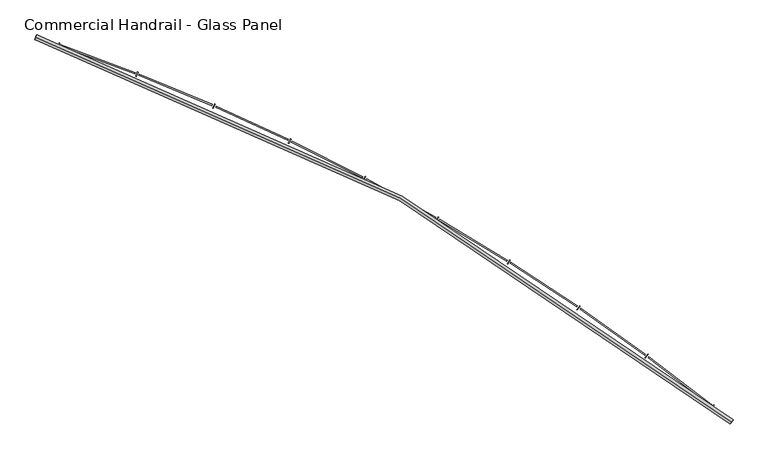
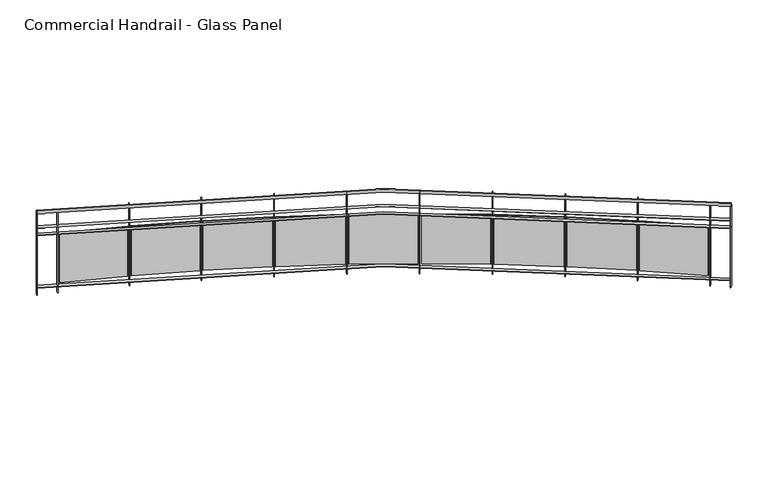
"""IFC4 building model written with IfcOpenShell, lengths in millimetres: railing geometry, Commercial Handrail - Glass Panel."""

from ifc_helpers import new_model, si_unit, point, frame, origin, place, context, project, spatial, polyline, circle_curve, ellipse_curve, trimmed, outline, extrude, source, transform, mapped, element, save
from ifc_brep_helpers import plane_surface, cylinder_surface, revolved_surface, advanced_brep


def commercial_handrail_glass_panel_4d4f9e8d(model_context):
    return source(origin(), model_context, "Body", "SolidModel", [
        advanced_brep(
        [(150583.3685507, -40178.0609172, 19682.5), (143915.4015975, -36490.7578825, 19682.5), (143915.4015975, -36490.7578825, 19717.5), (150583.3685507, -40178.0609172, 19717.5)],
        [
            (0, 1, circle_curve(frame((137048.5497623, -56781.179875, 19682.5), z_axis=(0.0, 0.0, 1.0), x_axis=(0.3205678761961466, 0.9472255469269671, 0.0)), 21420.8981782)),
            (1, 2, ellipse_curve(frame((143915.4015975, -36490.7578825, 19700.0), z_axis=(0.9472255469269653, -0.32056787619615223, 0.0), x_axis=(-0.32056787619615223, -0.9472255469269653, 0.0)), 25.0, 17.5)),
            (2, 3, circle_curve(frame((137048.5497623, -56781.179875, 19717.5), z_axis=(0.0, 0.0, -1.0), x_axis=(0.3205678761961466, 0.9472255469269671, 0.0)), 21420.8981782)),
            (3, 0, ellipse_curve(frame((150583.3685507, -40178.0609172, 19700.0), z_axis=(-0.7750897660636332, 0.6318511332136888, 0.0), x_axis=(-0.6318511332136887, -0.775089766063633, 0.0)), 25.0, 17.5)),
            (2, 1, ellipse_curve(frame((143915.4015975, -36490.7578825, 19700.0), z_axis=(0.9472255469269653, -0.32056787619615223, 0.0), x_axis=(-0.32056787619615223, -0.9472255469269653, 0.0)), 25.0, 17.5)),
            (0, 3, ellipse_curve(frame((150583.3685507, -40178.0609172, 19700.0), z_axis=(-0.7750897660636332, 0.6318511332136888, 0.0), x_axis=(-0.6318511332136887, -0.775089766063633, 0.0)), 25.0, 17.5)),
        ],
        [
            revolved_surface(trimmed(ellipse_curve(frame((143915.4015975, -36490.7578825, 19700.0), z_axis=(-0.9472255469269671, 0.3205678761961466, 0.0), x_axis=(0.0, 0.0, -1.0)), 17.5, 25.0), [point((143915.4015975, -36490.7578825, 19717.5))], [point((143915.4015975, -36490.7578825, 19682.5))], True, "CARTESIAN"), (137048.5497623, -56781.179875, 19700.0), (0.0, 0.0, -1.0)),
            revolved_surface(trimmed(ellipse_curve(frame((143915.4015975, -36490.7578825, 19700.0), z_axis=(-0.9472255469269671, 0.3205678761961466, 0.0), x_axis=(0.0, 0.0, -1.0)), 17.5, 25.0), [point((143915.4015975, -36490.7578825, 19682.5))], [point((143915.4015975, -36490.7578825, 19717.5))], True, "CARTESIAN"), (137048.5497623, -56781.179875, 19700.0), (0.0, 0.0, -1.0)),
            plane_surface(frame((143915.4015975, -36490.7578825, 19700.0), z_axis=(-0.9472255469269671, 0.3205678761961466, 0.0), x_axis=(0.3205678761961466, 0.9472255469269671, 0.0))),
            plane_surface(frame((150583.3685507, -40178.0609172, 19700.0), z_axis=(0.7750897660636331, -0.6318511332136886, 0.0), x_axis=(0.6318511332136886, 0.7750897660636331, 0.0))),
        ],
        [
            (0, [[1, 2, 3, 4]]),
            (1, [[-3, 5, -1, 6]]),
            (2, [[-2, -5]]),
            (3, [[-6, -4]]),
        ],
    ),
        advanced_brep(
        [(150597.5852012, -40160.6213975, 19500.0), (143922.6143747, -36469.4453077, 19500.0), (143908.1888203, -36512.0704573, 19500.0), (150569.1519002, -40195.500437, 19500.0), (150597.5852012, -40160.6213975, 19494.0), (143922.6143747, -36469.4453077, 19494.0), (150569.1519002, -40195.500437, 19494.0), (143908.1888203, -36512.0704573, 19494.0)],
        [
            (0, 1, circle_curve(frame((137048.5497623, -56781.179875, 19500.0), z_axis=(0.0, 0.0, 1.0), x_axis=(0.3205678761961466, 0.9472255469269671, 0.0)), 21443.3981782)),
            (1, 2),
            (2, 3, circle_curve(frame((137048.5497623, -56781.179875, 19500.0), z_axis=(0.0, 0.0, -1.0), x_axis=(0.3205678761961466, 0.9472255469269671, 0.0)), 21398.3981782)),
            (3, 0),
            (4, 5, circle_curve(frame((137048.5497623, -56781.179875, 19494.0), z_axis=(0.0, 0.0, 1.0), x_axis=(0.3205678761961466, 0.9472255469269671, 0.0)), 21443.3981782)),
            (5, 1),
            (0, 4),
            (6, 7, circle_curve(frame((137048.5497623, -56781.179875, 19494.0), z_axis=(0.0, 0.0, 1.0), x_axis=(0.3205678761961466, 0.9472255469269671, 0.0)), 21398.3981782)),
            (7, 5),
            (4, 6),
            (2, 7),
            (6, 3),
        ],
        [
            plane_surface(frame((137048.5497623, -56781.179875, 19500.0), z_axis=(0.0, 0.0, 1.0), x_axis=(0.3205678761961466, 0.9472255469269671, 0.0))),
            cylinder_surface(frame((137048.5497623, -56781.179875, 19500.0), z_axis=(0.0, 0.0, -1.0), x_axis=(0.3205678761961466, 0.9472255469269671, 0.0)), 21443.3981782),
            plane_surface(frame((137048.5497623, -56781.179875, 19494.0), z_axis=(0.0, 0.0, -1.0), x_axis=(0.3205678761961466, 0.9472255469269671, 0.0))),
            revolved_surface(polyline([(143908.18882028508, -36512.07045729349, 19494.0), (143908.18882028508, -36512.07045729349, 19500.0)]), (137048.5497623, -56781.179875, 19500.0), (0.0, 0.0, -1.0)),
            plane_surface(frame((143915.4015975, -36490.7578825, 19500.0), z_axis=(-0.9472255469269671, 0.3205678761961466, 0.0), x_axis=(0.3205678761961466, 0.9472255469269671, 0.0))),
            plane_surface(frame((150583.3685507, -40178.0609172, 19500.0), z_axis=(0.7750897660636331, -0.6318511332136886, 0.0), x_axis=(0.6318511332136886, 0.7750897660636331, 0.0))),
        ],
        [
            (0, [[1, 2, 3, 4]]),
            (1, [[5, 6, -1, 7]]),
            (2, [[8, 9, -5, 10]]),
            (3, [[-3, 11, -8, 12]]),
            (4, [[-2, -6, -9, -11]]),
            (5, [[-12, -10, -7, -4]]),
        ],
    ),
        advanced_brep(
        [(150597.5852012, -40160.6213975, 19400.0), (143922.6143747, -36469.4453077, 19400.0), (143908.1888203, -36512.0704573, 19400.0), (150569.1519002, -40195.500437, 19400.0), (150597.5852012, -40160.6213975, 19394.0), (143922.6143747, -36469.4453077, 19394.0), (150569.1519002, -40195.500437, 19394.0), (143908.1888203, -36512.0704573, 19394.0)],
        [
            (0, 1, circle_curve(frame((137048.5497623, -56781.179875, 19400.0), z_axis=(0.0, 0.0, 1.0), x_axis=(0.3205678761961466, 0.9472255469269671, 0.0)), 21443.3981782)),
            (1, 2),
            (2, 3, circle_curve(frame((137048.5497623, -56781.179875, 19400.0), z_axis=(0.0, 0.0, -1.0), x_axis=(0.3205678761961466, 0.9472255469269671, 0.0)), 21398.3981782)),
            (3, 0),
            (4, 5, circle_curve(frame((137048.5497623, -56781.179875, 19394.0), z_axis=(0.0, 0.0, 1.0), x_axis=(0.3205678761961466, 0.9472255469269671, 0.0)), 21443.3981782)),
            (5, 1),
            (0, 4),
            (6, 7, circle_curve(frame((137048.5497623, -56781.179875, 19394.0), z_axis=(0.0, 0.0, 1.0), x_axis=(0.3205678761961466, 0.9472255469269671, 0.0)), 21398.3981782)),
            (7, 5),
            (4, 6),
            (2, 7),
            (6, 3),
        ],
        [
            plane_surface(frame((137048.5497623, -56781.179875, 19400.0), z_axis=(0.0, 0.0, 1.0), x_axis=(0.3205678761961466, 0.9472255469269671, 0.0))),
            cylinder_surface(frame((137048.5497623, -56781.179875, 19400.0), z_axis=(0.0, 0.0, -1.0), x_axis=(0.3205678761961466, 0.9472255469269671, 0.0)), 21443.3981782),
            plane_surface(frame((137048.5497623, -56781.179875, 19394.0), z_axis=(0.0, 0.0, -1.0), x_axis=(0.3205678761961466, 0.9472255469269671, 0.0))),
            revolved_surface(polyline([(143908.18882028508, -36512.07045729349, 19394.0), (143908.18882028508, -36512.07045729349, 19400.0)]), (137048.5497623, -56781.179875, 19400.0), (0.0, 0.0, -1.0)),
            plane_surface(frame((143915.4015975, -36490.7578825, 19400.0), z_axis=(-0.9472255469269671, 0.3205678761961466, 0.0), x_axis=(0.3205678761961466, 0.9472255469269671, 0.0))),
            plane_surface(frame((150583.3685507, -40178.0609172, 19400.0), z_axis=(0.7750897660636331, -0.6318511332136886, 0.0), x_axis=(0.6318511332136886, 0.7750897660636331, 0.0))),
        ],
        [
            (0, [[1, 2, 3, 4]]),
            (1, [[5, 6, -1, 7]]),
            (2, [[8, 9, -5, 10]]),
            (3, [[-3, 11, -8, 12]]),
            (4, [[-2, -6, -9, -11]]),
            (5, [[-12, -10, -7, -4]]),
        ],
    ),
        advanced_brep(
        [(150597.5852012, -40160.6213975, 18700.0), (143922.6143747, -36469.4453077, 18700.0), (143908.1888203, -36512.0704573, 18700.0), (150569.1519002, -40195.500437, 18700.0), (150597.5852012, -40160.6213975, 18694.0), (143922.6143747, -36469.4453077, 18694.0), (150569.1519002, -40195.500437, 18694.0), (143908.1888203, -36512.0704573, 18694.0)],
        [
            (0, 1, circle_curve(frame((137048.5497623, -56781.179875, 18700.0), z_axis=(0.0, 0.0, 1.0), x_axis=(0.3205678761961466, 0.9472255469269671, 0.0)), 21443.3981782)),
            (1, 2),
            (2, 3, circle_curve(frame((137048.5497623, -56781.179875, 18700.0), z_axis=(0.0, 0.0, -1.0), x_axis=(0.3205678761961466, 0.9472255469269671, 0.0)), 21398.3981782)),
            (3, 0),
            (4, 5, circle_curve(frame((137048.5497623, -56781.179875, 18694.0), z_axis=(0.0, 0.0, 1.0), x_axis=(0.3205678761961466, 0.9472255469269671, 0.0)), 21443.3981782)),
            (5, 1),
            (0, 4),
            (6, 7, circle_curve(frame((137048.5497623, -56781.179875, 18694.0), z_axis=(0.0, 0.0, 1.0), x_axis=(0.3205678761961466, 0.9472255469269671, 0.0)), 21398.3981782)),
            (7, 5),
            (4, 6),
            (2, 7),
            (6, 3),
        ],
        [
            plane_surface(frame((137048.5497623, -56781.179875, 18700.0), z_axis=(0.0, 0.0, 1.0), x_axis=(0.3205678761961466, 0.9472255469269671, 0.0))),
            cylinder_surface(frame((137048.5497623, -56781.179875, 18700.0), z_axis=(0.0, 0.0, -1.0), x_axis=(0.3205678761961466, 0.9472255469269671, 0.0)), 21443.3981782),
            plane_surface(frame((137048.5497623, -56781.179875, 18694.0), z_axis=(0.0, 0.0, -1.0), x_axis=(0.3205678761961466, 0.9472255469269671, 0.0))),
            revolved_surface(polyline([(143908.18882028508, -36512.07045729349, 18694.0), (143908.18882028508, -36512.07045729349, 18700.0)]), (137048.5497623, -56781.179875, 18700.0), (0.0, 0.0, -1.0)),
            plane_surface(frame((143915.4015975, -36490.7578825, 18700.0), z_axis=(-0.9472255469269671, 0.3205678761961466, 0.0), x_axis=(0.3205678761961466, 0.9472255469269671, 0.0))),
            plane_surface(frame((150583.3685507, -40178.0609172, 18700.0), z_axis=(0.7750897660636331, -0.6318511332136886, 0.0), x_axis=(0.6318511332136886, 0.7750897660636331, 0.0))),
        ],
        [
            (0, [[1, 2, 3, 4]]),
            (1, [[5, 6, -1, 7]]),
            (2, [[8, 9, -5, 10]]),
            (3, [[-3, 11, -8, 12]]),
            (4, [[-2, -6, -9, -11]]),
            (5, [[-12, -10, -7, -4]]),
        ],
    ),
        extrude(outline(polyline([(150387.8172497, -40049.3121821), (150415.8741434, -40014.1296479), (150420.565148, -40017.8705671), (150392.5082542, -40053.0531013), (150387.8172497, -40049.3121821)])), frame((0.0, 0.0, 18600.0), z_axis=(0.0, 0.0, 1.0), x_axis=(1.0, 0.0, 0.0)), (0.0, 0.0, 1.0), 1082.1192282),
        extrude(outline(polyline([(149791.3308783, -39551.0349259), (150394.2690459, -40013.7071274), (150386.9636954, -40023.2272037), (149784.0255278, -39560.5550022), (149791.3308783, -39551.0349259)])), frame((0.0, 0.0, 18720.0), z_axis=(0.0, 0.0, 1.0), x_axis=(1.0, 0.0, 0.0)), (0.0, 0.0, 1.0), 660.0),
        extrude(outline(polyline([(149753.7807796, -39562.917524), (149780.5044628, -39526.7119338), (149785.3318748, -39530.2750916), (149758.6081917, -39566.4806817), (149753.7807796, -39562.917524)])), frame((0.0, 0.0, 18600.0), z_axis=(0.0, 0.0, 1.0), x_axis=(1.0, 0.0, 0.0)), (0.0, 0.0, 1.0), 1082.1192282),
        extrude(outline(polyline([(149139.1056536, -39087.2593434), (149758.8986545, -39527.0963996), (149751.9538589, -39536.8826049), (149132.160858, -39097.0455487), (149139.1056536, -39087.2593434)])), frame((0.0, 0.0, 18720.0), z_axis=(0.0, 0.0, 1.0), x_axis=(1.0, 0.0, 0.0)), (0.0, 0.0, 1.0), 660.0),
        extrude(outline(polyline([(149102.0254116, -39100.5357023), (149127.3786149, -39063.3575489), (149132.335702, -39066.737976), (149106.9824987, -39103.9161294), (149102.0254116, -39100.5357023)])), frame((0.0, 0.0, 18600.0), z_axis=(0.0, 0.0, 1.0), x_axis=(1.0, 0.0, 0.0)), (0.0, 0.0, 1.0), 1082.1192282),
        extrude(outline(polyline([(148470.0187657, -38648.1599571), (149105.8022278, -39064.5484649), (149099.2276724, -39074.5871511), (148463.4442103, -38658.1986434), (148470.0187657, -38648.1599571)])), frame((0.0, 0.0, 18720.0), z_axis=(0.0, 0.0, 1.0), x_axis=(1.0, 0.0, 0.0)), (0.0, 0.0, 1.0), 660.0),
        extrude(outline(polyline([(148433.4600931, -38662.8115613), (148457.4074585, -38624.712694), (148462.4873075, -38627.9056761), (148438.5399421, -38666.0045433), (148433.4600931, -38662.8115613)])), frame((0.0, 0.0, 18600.0), z_axis=(0.0, 0.0, 1.0), x_axis=(1.0, 0.0, 0.0)), (0.0, 0.0, 1.0), 1082.1192282),
        extrude(outline(polyline([(147785.0033328, -38234.3491413), (148435.8905832, -38626.7083992), (148429.695437, -38636.9855663), (147778.8081866, -38244.6263084), (147785.0033328, -38234.3491413)])), frame((0.0, 0.0, 18720.0), z_axis=(0.0, 0.0, 1.0), x_axis=(1.0, 0.0, 0.0)), (0.0, 0.0, 1.0), 660.0),
        extrude(outline(polyline([(147749.0172148, -38250.3555574), (147771.5253451, -38211.3891094), (147776.7208715, -38214.3901934), (147754.2127412, -38253.3566414), (147749.0172148, -38250.3555574)])), frame((0.0, 0.0, 18600.0), z_axis=(0.0, 0.0, 1.0), x_axis=(1.0, 0.0, 0.0)), (0.0, 0.0, 1.0), 1082.1192282),
        extrude(outline(polyline([(147085.0146873, -37846.4040024), (147750.0979893, -38214.1868206), (147744.2908922, -38224.6881359), (147079.2075902, -37856.9053177), (147085.0146873, -37846.4040024)])), frame((0.0, 0.0, 18720.0), z_axis=(0.0, 0.0, 1.0), x_axis=(1.0, 0.0, 0.0)), (0.0, 0.0, 1.0), 660.0),
        extrude(outline(polyline([(147049.6513106, -37863.7429077), (147070.6888157, -37823.9632221), (147075.9927737, -37826.7682228), (147054.9552687, -37866.5479084), (147049.6513106, -37863.7429077)])), frame((0.0, 0.0, 18600.0), z_axis=(0.0, 0.0, 1.0), x_axis=(1.0, 0.0, 0.0)), (0.0, 0.0, 1.0), 1082.1192282),
        extrude(outline(polyline([(146371.0290434, -37484.8655743), (147049.3808623, -37827.5590376), (147043.9699129, -37838.2698558), (146365.618094, -37495.5763925), (146371.0290434, -37484.8655743)])), frame((0.0, 0.0, 18720.0), z_axis=(0.0, 0.0, 1.0), x_axis=(1.0, 0.0, 0.0)), (0.0, 0.0, 1.0), 660.0),
        extrude(outline(polyline([(146336.3377264, -37503.5127878), (146355.8752669, -37462.975342), (146361.2802597, -37465.5803474), (146341.7427192, -37506.1177932), (146336.3377264, -37503.5127878)])), frame((0.0, 0.0, 18600.0), z_axis=(0.0, 0.0, 1.0), x_axis=(1.0, 0.0, 0.0)), (0.0, 0.0, 1.0), 1082.1192282),
        extrude(outline(polyline([(145644.0421358, -37150.2380638), (146334.7164324, -37467.364247), (146329.7091769, -37478.2696306), (145639.0348803, -37161.1434474), (145644.0421358, -37150.2380638)])), frame((0.0, 0.0, 18720.0), z_axis=(0.0, 0.0, 1.0), x_axis=(1.0, 0.0, 0.0)), (0.0, 0.0, 1.0), 660.0),
        extrude(outline(polyline([(145610.0712594, -37170.1675797), (145628.0815881, -37128.9289078), (145633.5800777, -37131.3302849), (145615.569749, -37172.5689569), (145610.0712594, -37170.1675797)])), frame((0.0, 0.0, 18600.0), z_axis=(0.0, 0.0, 1.0), x_axis=(1.0, 0.0, 0.0)), (0.0, 0.0, 1.0), 1082.1192282),
        extrude(outline(polyline([(144905.0678309, -36842.9881472), (145607.1013808, -37134.1047815), (145602.5048024, -37145.1895217), (144900.4712525, -36854.0728874), (144905.0678309, -36842.9881472)])), frame((0.0, 0.0, 18720.0), z_axis=(0.0, 0.0, 1.0), x_axis=(1.0, 0.0, 0.0)), (0.0, 0.0, 1.0), 660.0),
        extrude(outline(polyline([(144871.8647714, -36864.1721715), (144888.3227707, -36822.2897855), (144893.9070889, -36824.4841854), (144877.4490896, -36866.3665714), (144871.8647714, -36864.1721715)])), frame((0.0, 0.0, 18600.0), z_axis=(0.0, 0.0, 1.0), x_axis=(1.0, 0.0, 0.0)), (0.0, 0.0, 1.0), 1082.1192282),
        extrude(outline(polyline([(144155.1367129, -36563.5443196), (144867.5504501, -36828.2454095), (144863.3709592, -36839.4940475), (144150.957222, -36574.7929575), (144155.1367129, -36563.5443196)])), frame((0.0, 0.0, 18720.0), z_axis=(0.0, 0.0, 1.0), x_axis=(1.0, 0.0, 0.0)), (0.0, 0.0, 1.0), 660.0),
        extrude(outline(polyline([(144122.7477757, -36585.9533088), (144137.6304932, -36543.4856185), (144143.2928519, -36545.4699808), (144128.4101344, -36587.9376712), (144122.7477757, -36585.9533088)])), frame((0.0, 0.0, 18600.0), z_axis=(0.0, 0.0, 1.0), x_axis=(1.0, 0.0, 0.0)), (0.0, 0.0, 1.0), 1082.1192282),
        extrude(outline(polyline([(150566.8266309, -40193.6048836), (150595.2599319, -40158.7258441), (150599.9104705, -40162.5169509), (150571.4771695, -40197.3959904), (150566.8266309, -40193.6048836)])), frame((0.0, 0.0, 18600.0), z_axis=(0.0, 0.0, 1.0), x_axis=(1.0, 0.0, 0.0)), (0.0, 0.0, 1.0), 1082.1192282),
        extrude(outline(polyline([(143905.3471437, -36511.1087537), (143919.7726981, -36468.4836041), (143925.4560514, -36470.4070113), (143911.030497, -36513.032161), (143905.3471437, -36511.1087537)])), frame((0.0, 0.0, 18600.0), z_axis=(0.0, 0.0, 1.0), x_axis=(1.0, 0.0, 0.0)), (0.0, 0.0, 1.0), 1082.1192282),
    ])


if __name__ == "__main__":
    model = new_model("IFC4")
    model_context = context("Model", 3, world=origin())
    ifc_project = project(units=[si_unit("LENGTHUNIT", "METRE", prefix="MILLI")], contexts=[model_context])
    site = spatial("IfcSite", under=ifc_project)
    building = spatial("IfcBuilding", under=site)
    placement = place(None, origin())
    commercial_handrail_glass_panel_shape = commercial_handrail_glass_panel_4d4f9e8d(model_context)
    element("IfcRailing", 1, ObjectType="Commercial Handrail - Glass Panel", at=placement, inside=building, context=model_context, shape_type="MappedRepresentation", body=[
        mapped(commercial_handrail_glass_panel_shape, transform((0.0, 0.0, 0.0), x_axis=(1.0, 0.0, 0.0), y_axis=(0.0, 1.0, 0.0), z_axis=(0.0, 0.0, 1.0))),
    ])
    save(model, "model.ifc")
